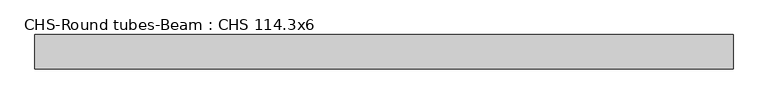
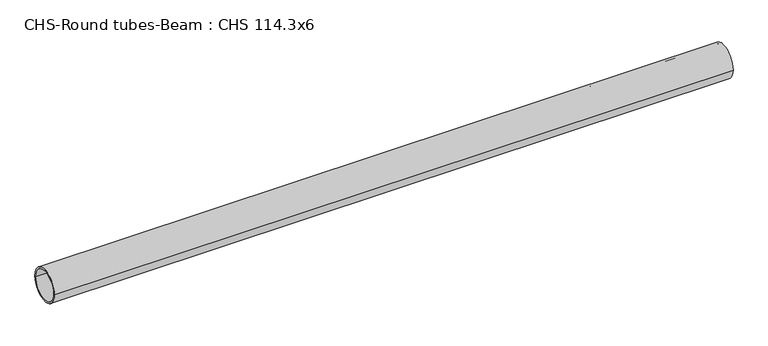
"""IFC4 building model written with IfcOpenShell, lengths in millimetres: beam geometry, CHS-Round tubes-Beam : CHS 114.3x6."""

from ifc_helpers import new_model, si_unit, point, frame, origin, origin_2d, place, context, project, spatial, circle_curve, trimmed, segment, composite_curve, outline, extrude, source, transform, mapped, element, save


def chs_round_tubes_beam_chs_114_3x6_0992dc8a(model_context):
    return source(origin(), model_context, "Body", "SweptSolid", [
        extrude(outline(composite_curve([segment(trimmed(circle_curve(origin_2d(), 57.15), [point((57.15, 0.0))], [point((-57.15, 0.0))], False, "CARTESIAN"), True, "CONTINUOUS"), segment(trimmed(circle_curve(origin_2d(), 57.15), [point((-57.15, 0.0))], [point((57.15, 0.0))], False, "CARTESIAN"), True, "CONTINUOUS")], self_intersect=False), holes=[composite_curve([segment(trimmed(circle_curve(origin_2d(), 51.15), [point((51.15, 0.0))], [point((-51.15, 0.0))], True, "CARTESIAN"), True, "CONTINUOUS"), segment(trimmed(circle_curve(origin_2d(), 51.15), [point((-51.15, 0.0))], [point((51.15, 0.0))], True, "CARTESIAN"), True, "CONTINUOUS")], self_intersect=False)]), frame((-1148.2532796, 0.0, 0.0), z_axis=(1.0, 0.0, 0.0), x_axis=(0.0, 1.0, 0.0)), (0.0, 0.0, 1.0), 2310.9311963),
    ])


if __name__ == "__main__":
    model = new_model("IFC4")
    model_context = context("Model", 3, world=origin())
    ifc_project = project(units=[si_unit("LENGTHUNIT", "METRE", prefix="MILLI")], contexts=[model_context])
    site = spatial("IfcSite", under=ifc_project)
    building = spatial("IfcBuilding", under=site)
    placement = place(None, origin())
    chs_round_tubes_beam_chs_114_3x6_shape = chs_round_tubes_beam_chs_114_3x6_0992dc8a(model_context)
    element("IfcBeam", 1, ObjectType="CHS-Round tubes-Beam : CHS 114.3x6", at=placement, inside=building, context=model_context, shape_type="MappedRepresentation", body=[
        mapped(chs_round_tubes_beam_chs_114_3x6_shape, transform((0.0, 0.0, 0.0), x_axis=(1.0, 0.0, 0.0), y_axis=(0.0, 1.0, 0.0), z_axis=(0.0, 0.0, 1.0))),
    ])
    save(model, "model.ifc")
